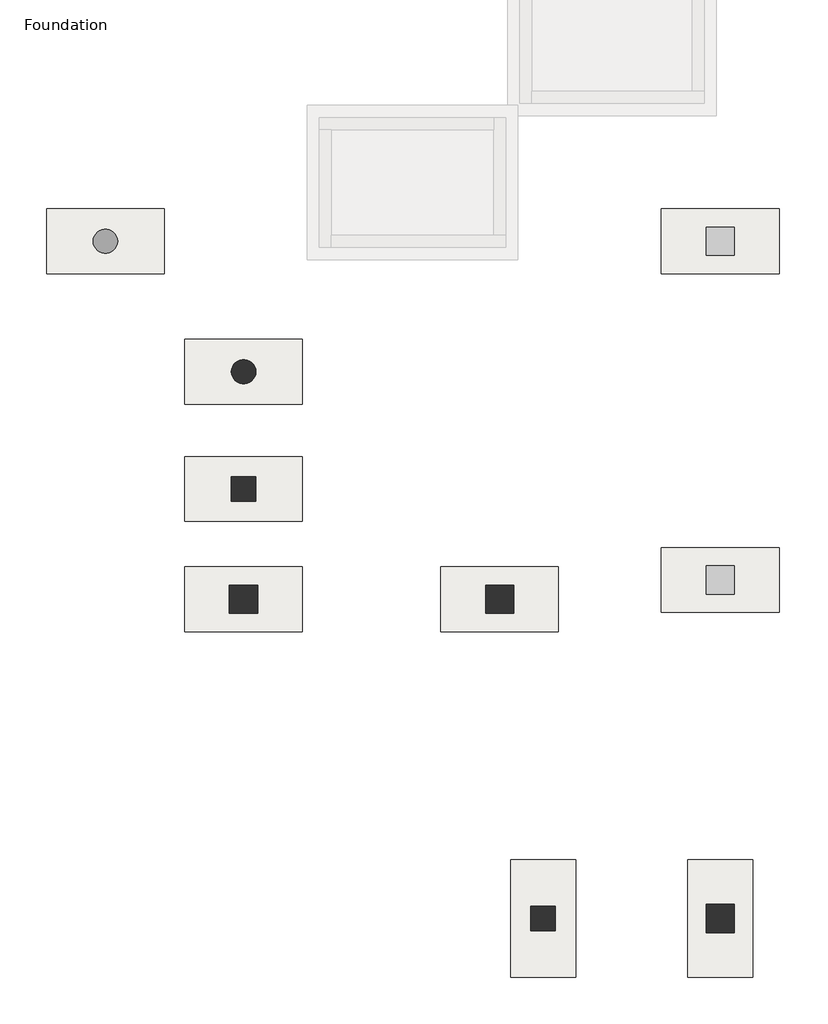
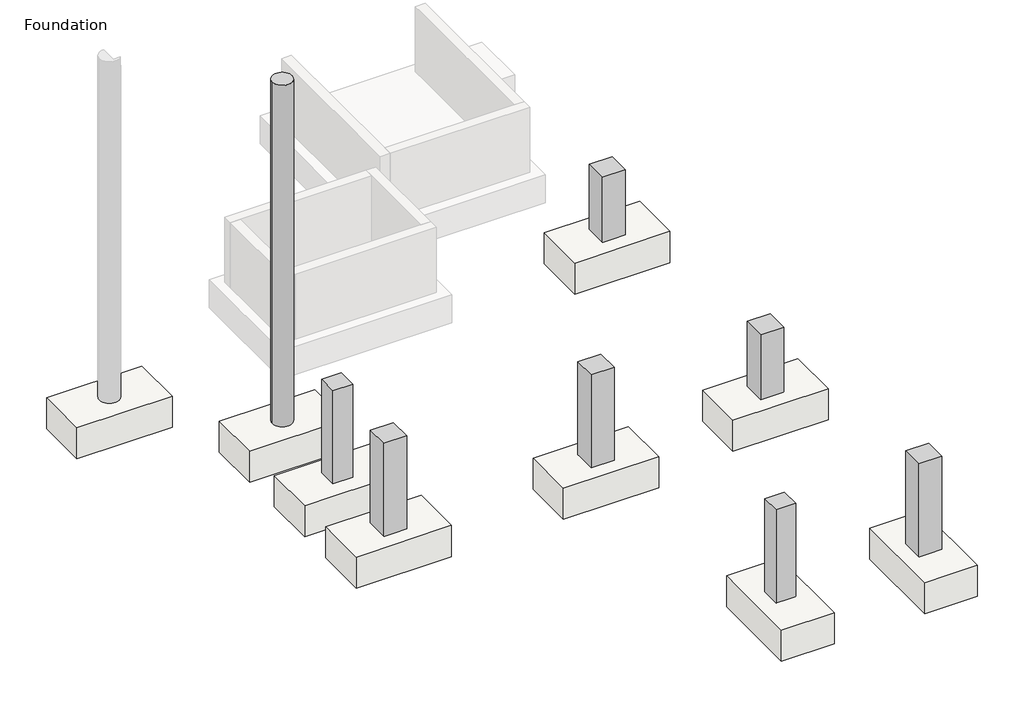
# One storey, part 9 of 10: 9 slabs, 8 columns.
"""IFC4 building model written with IfcOpenShell, lengths in millimetres."""

from ifc_helpers import new_model, si_unit, frame, origin, place, context, project, spatial, polyline, circle_curve, outline, extrude, faceted_brep, element, save
from ifc_brep_helpers import plane_surface, cylinder_surface, revolved_surface, advanced_brep

model = new_model("IFC4")

# Units and contexts
model_context = context("Model", 3, world=origin())
ifc_project = project(units=[si_unit("LENGTHUNIT", "METRE", prefix="MILLI")], contexts=[model_context])

# Site, building, storey
site = spatial("IfcSite", under=ifc_project)
building = spatial("IfcBuilding", under=site)
storey = spatial("IfcBuildingStorey", under=building, Name="Foundation", Elevation=-1600.0)

# Columns
placement = place(None, origin())
element("IfcColumn", 1, ObjectType="Concrete Round : 300 mm", at=placement, inside=storey, context=model_context, shape_type="AdvancedBrep", body=[
    advanced_brep(
    [(17554.9250814, -17852.2248986, -1600.0), (17254.9250814, -17852.2248986, -1600.0), (17554.9250814, -17852.2248986, 3900.0), (17254.9250814, -17852.2248986, 3900.0), (17546.3464377, -17802.2248986, 3900.0), (17354.9250814, -17993.6462549, 3900.0)],
    [
        (0, 1, circle_curve(frame((17404.9250814, -17852.2248986, -1600.0), z_axis=(0.0, 0.0, -1.0), x_axis=(-1.0, 0.0, 0.0)), 150.0)),
        (1, 0, circle_curve(frame((17404.9250814, -17852.2248986, -1600.0), z_axis=(0.0, 0.0, -1.0), x_axis=(-1.0, 0.0, 0.0)), 150.0)),
        (2, 0),
        (1, 3),
        (3, 4, circle_curve(frame((17404.9250814, -17852.2248986, 3900.0), z_axis=(0.0, 0.0, -1.0), x_axis=(-1.0, 0.0, 0.0)), 150.0)),
        (4, 2, circle_curve(frame((17404.9250814, -17852.2248986, 3900.0), z_axis=(0.0, 0.0, -1.0), x_axis=(-1.0, 0.0, 0.0)), 150.0)),
        (2, 5, circle_curve(frame((17404.9250814, -17852.2248986, 3900.0), z_axis=(0.0, 0.0, -1.0), x_axis=(-1.0, 0.0, 0.0)), 150.0)),
        (5, 3, circle_curve(frame((17404.9250814, -17852.2248986, 3900.0), z_axis=(0.0, 0.0, -1.0), x_axis=(-1.0, 0.0, 0.0)), 150.0)),
    ],
    [
        plane_surface(frame((17254.9250814, -17852.2248986, -1600.0), z_axis=(0.0, 0.0, -1.0), x_axis=(0.0, -1.0, 0.0))),
        cylinder_surface(frame((17404.9250814, -17852.2248986, -1600.0), z_axis=(0.0, 0.0, 1.0), x_axis=(-1.0, 0.0, 0.0)), 150.0),
        plane_surface(frame((17254.9250814, -17852.2248986, 3900.0), z_axis=(0.0, 0.0, 1.0), x_axis=(0.0, 1.0, 0.0))),
    ],
    [
        (0, [[1, 2]]),
        (1, [[3, -2, 4, 5, 6]]),
        (1, [[-4, -1, -3, 7, 8]]),
        (2, [[-6, -5, -8, -7]]),
    ],
),
])
element("IfcColumn", 2, ObjectType="Concrete-Rectangular-Column : C 30/30", at=placement, inside=storey, context=model_context, shape_type="Brep", body=[
    faceted_brep([(20947.4250814, -24447.2248986, -1600.0), (21247.4250814, -24447.2248986, -1600.0), (21247.4250814, -24747.2248986, -1600.0), (20947.4250814, -24747.2248986, -1600.0), (20947.4250814, -24447.2248986, -100.0), (20947.4250814, -24447.2248986, -550.0), (20947.4250814, -24747.2248986, -550.0), (20947.4250814, -24747.2248986, -100.0), (21247.4250814, -24747.2248986, -550.0), (21247.4250814, -24747.2248986, -100.0), (21247.4250814, -24447.2248986, -550.0), (21247.4250814, -24447.2248986, -100.0)], [[[0, 1, 2, 3]], [[4, 5, 0, 3, 6, 7]], [[7, 6, 3, 2, 8, 9]], [[9, 8, 2, 1, 10, 11]], [[11, 10, 1, 0, 5, 4]], [[4, 7, 9, 11]]]),
])
element("IfcColumn", 3, ObjectType="Concrete-Rectangular-Column : C 30/30", at=placement, inside=storey, context=model_context, shape_type="Brep", body=[
    faceted_brep([(17254.9250814, -19149.1395763, -1600.0), (17554.9250814, -19149.1395763, -1600.0), (17554.9250814, -19449.1395763, -1600.0), (17254.9250814, -19449.1395763, -1600.0), (17254.9250814, -19149.1395763, -100.0), (17254.9250814, -19149.1395763, -550.0), (17254.9250814, -19449.1395763, -550.0), (17254.9250814, -19449.1395763, -100.0), (17554.9250814, -19449.1395763, -550.0), (17554.9250814, -19449.1395763, -100.0), (17554.9250814, -19149.1395763, -550.0), (17554.9250814, -19149.1395763, -100.0)], [[[0, 1, 2, 3]], [[4, 5, 0, 3, 6, 7]], [[7, 6, 3, 2, 8, 9]], [[9, 8, 2, 1, 10, 11]], [[11, 10, 1, 0, 5, 4]], [[4, 7, 9, 11]]]),
])
element("IfcColumn", 4, ObjectType="Concrete-Rectangular-Column : C 35/35", at=placement, inside=storey, context=model_context, shape_type="Brep", body=[
    faceted_brep([(23107.3731257, -24422.2248986, -1600.0), (23457.3731257, -24422.2248986, -1600.0), (23457.3731257, -24772.2248986, -1600.0), (23107.3731257, -24772.2248986, -1600.0), (23107.3731257, -24422.2248986, -100.0), (23107.3731257, -24422.2248986, -550.0), (23107.3731257, -24772.2248986, -550.0), (23107.3731257, -24772.2248986, -100.0), (23457.3731257, -24772.2248986, -550.0), (23457.3731257, -24772.2248986, -100.0), (23457.3731257, -24422.2248986, -550.0), (23457.3731257, -24422.2248986, -100.0)], [[[0, 1, 2, 3]], [[4, 5, 0, 3, 6, 7]], [[7, 6, 3, 2, 8, 9]], [[9, 8, 2, 1, 10, 11]], [[11, 10, 1, 0, 5, 4]], [[4, 7, 9, 11]]]),
])
element("IfcColumn", 5, ObjectType="Concrete-Rectangular-Column : C 35/35", at=placement, inside=storey, context=model_context, shape_type="Brep", body=[
    faceted_brep([(17229.9250814, -20484.7180835, -1600.0), (17579.9250814, -20484.7180835, -1600.0), (17579.9250814, -20834.7180835, -1600.0), (17229.9250814, -20834.7180835, -1600.0), (17229.9250814, -20484.7180835, -100.0), (17579.9250814, -20484.7180835, -100.0), (17579.9250814, -20484.7180835, -550.0), (17229.9250814, -20484.7180835, -550.0), (17579.9250814, -20834.7180835, -100.0), (17579.9250814, -20834.7180835, -550.0), (17229.9250814, -20834.7180835, -100.0), (17229.9250814, -20834.7180835, -550.0)], [[[0, 1, 2, 3]], [[4, 5, 6, 1, 0, 7]], [[5, 8, 9, 2, 1, 6]], [[8, 10, 11, 3, 2, 9]], [[10, 4, 7, 0, 3, 11]], [[4, 10, 8, 5]]]),
])
element("IfcColumn", 6, ObjectType="Concrete-Rectangular-Column : C 35/35", at=placement, inside=storey, context=model_context, shape_type="Brep", body=[
    faceted_brep([(20387.4250814, -20484.7180835, -1600.0), (20737.4250814, -20484.7180835, -1600.0), (20737.4250814, -20834.7180835, -1600.0), (20387.4250814, -20834.7180835, -1600.0), (20387.4250814, -20484.7180835, -100.0), (20737.4250814, -20484.7180835, -100.0), (20737.4250814, -20484.7180835, -550.0), (20387.4250814, -20484.7180835, -550.0), (20737.4250814, -20834.7180835, -100.0), (20737.4250814, -20834.7180835, -550.0), (20387.4250814, -20834.7180835, -100.0), (20387.4250814, -20834.7180835, -550.0)], [[[0, 1, 2, 3]], [[4, 5, 6, 1, 0, 7]], [[5, 8, 9, 2, 1, 6]], [[8, 10, 11, 3, 2, 9]], [[10, 4, 7, 0, 3, 11]], [[4, 10, 8, 5]]]),
])
element("IfcColumn", 7, ObjectType="Concrete-Rectangular-Column : C 35/35", at=placement, inside=storey, context=model_context, shape_type="SweptSolid", body=[
    extrude(outline(polyline([(23107.3731257, -20596.3915653), (23107.3731257, -20246.3915653), (23457.3731257, -20246.3915653), (23457.3731257, -20596.3915653), (23107.3731257, -20596.3915653)])), frame((0.0, 0.0, -1600.0), z_axis=(0.0, 0.0, 1.0), x_axis=(1.0, 0.0, 0.0)), (0.0, 0.0, 1.0), 1050.0),
])
element("IfcColumn", 8, ObjectType="Concrete-Rectangular-Column : C 35/35", at=placement, inside=storey, context=model_context, shape_type="SweptSolid", body=[
    extrude(outline(polyline([(23107.3731257, -16420.558232), (23107.3731257, -16070.558232), (23457.3731257, -16070.558232), (23457.3731257, -16420.558232), (23107.3731257, -16420.558232)])), frame((0.0, 0.0, -1600.0), z_axis=(0.0, 0.0, 1.0), x_axis=(1.0, 0.0, 0.0)), (0.0, 0.0, 1.0), 1050.0),
])

# Slabs
element("IfcSlab", 9, ObjectType="Pile Cap for 2 Piles : Type 1", at=placement, inside=storey, context=model_context, shape_type="AdvancedBrep", body=[
    advanced_brep(
    [(21287.4250814, -21059.7180835, -1600.0), (21287.4250814, -20259.7180835, -1600.0), (19837.4250814, -20259.7180835, -1600.0), (19837.4250814, -21059.7180835, -1600.0), (19837.4250814, -20259.7180835, -2100.0), (21287.4250814, -20259.7180835, -2100.0), (21287.4250814, -21059.7180835, -2100.0), (19837.4250814, -21059.7180835, -2100.0), (20962.4250814, -20526.3847501, -2100.0), (20962.4250814, -20793.0514168, -2100.0), (20162.4250814, -20526.3847501, -2100.0), (20162.4250814, -20793.0514168, -2100.0), (20162.4250814, -20526.3847501, -2050.0), (20162.4250814, -20793.0514168, -2050.0), (20962.4250814, -20526.3847501, -2050.0), (20962.4250814, -20793.0514168, -2050.0)],
    [
        (0, 1),
        (1, 2),
        (2, 3),
        (3, 0),
        (4, 5),
        (5, 6),
        (6, 7),
        (7, 4),
        (8, 9, circle_curve(frame((20962.4250814, -20659.7180835, -2100.0), z_axis=(0.0, 0.0, 1.0), x_axis=(0.0, 1.0, 0.0)), 133.3333333)),
        (9, 8, circle_curve(frame((20962.4250814, -20659.7180835, -2100.0), z_axis=(0.0, 0.0, 1.0), x_axis=(0.0, 1.0, 0.0)), 133.3333333)),
        (10, 11, circle_curve(frame((20162.4250814, -20659.7180835, -2100.0), z_axis=(0.0, 0.0, 1.0), x_axis=(0.0, 1.0, 0.0)), 133.3333333)),
        (11, 10, circle_curve(frame((20162.4250814, -20659.7180835, -2100.0), z_axis=(0.0, 0.0, 1.0), x_axis=(0.0, 1.0, 0.0)), 133.3333333)),
        (0, 6),
        (5, 1),
        (3, 7),
        (2, 4),
        (12, 13, circle_curve(frame((20162.4250814, -20659.7180835, -2050.0), z_axis=(0.0, 0.0, -1.0), x_axis=(0.0, 1.0, 0.0)), 133.3333333)),
        (13, 12, circle_curve(frame((20162.4250814, -20659.7180835, -2050.0), z_axis=(0.0, 0.0, -1.0), x_axis=(0.0, 1.0, 0.0)), 133.3333333)),
        (8, 14),
        (14, 15, circle_curve(frame((20962.4250814, -20659.7180835, -2050.0), z_axis=(0.0, 0.0, 1.0), x_axis=(0.0, 1.0, 0.0)), 133.3333333)),
        (15, 9),
        (15, 14, circle_curve(frame((20962.4250814, -20659.7180835, -2050.0), z_axis=(0.0, 0.0, 1.0), x_axis=(0.0, 1.0, 0.0)), 133.3333333)),
        (10, 12),
        (13, 11),
    ],
    [
        plane_surface(frame((21287.4250814, -21059.7180835, -1600.0), z_axis=(0.0, 0.0, 1.0), x_axis=(0.0, -1.0, 0.0))),
        plane_surface(frame((21287.4250814, -21059.7180835, -2100.0), z_axis=(0.0, 0.0, -1.0), x_axis=(0.0, 1.0, 0.0))),
        plane_surface(frame((21287.4250814, -20259.7180835, -1600.0), z_axis=(1.0, 0.0, 0.0), x_axis=(0.0, 0.0, -1.0))),
        plane_surface(frame((21287.4250814, -21059.7180835, -1600.0), z_axis=(0.0, -1.0, 0.0), x_axis=(0.0, 0.0, -1.0))),
        plane_surface(frame((19837.4250814, -21059.7180835, -1600.0), z_axis=(-1.0, 0.0, 0.0), x_axis=(0.0, 0.0, -1.0))),
        plane_surface(frame((19837.4250814, -20259.7180835, -1600.0), z_axis=(0.0, 1.0, 0.0), x_axis=(0.0, 0.0, -1.0))),
        plane_surface(frame((20962.4250814, -20526.3847501, -2050.0), z_axis=(0.0, 0.0, -1.0), x_axis=(1.0, 0.0, 0.0))),
        revolved_surface(polyline([(20962.4250814, -20526.3847502, -2050.0), (20962.4250814, -20526.3847502, -2100.0)]), (20962.4250814, -20659.7180835, -2100.0), (0.0, 0.0, 1.0)),
        revolved_surface(polyline([(20162.4250814, -20526.3847502, -2050.0), (20162.4250814, -20526.3847502, -2100.0)]), (20162.4250814, -20659.7180835, -1600.0), (0.0, 0.0, 1.0)),
    ],
    [
        (0, [[1, 2, 3, 4]]),
        (1, [[5, 6, 7, 8], [9, 10], [11, 12]]),
        (2, [[-1, 13, -6, 14]]),
        (3, [[-4, 15, -7, -13]]),
        (4, [[-3, 16, -8, -15]]),
        (5, [[-2, -14, -5, -16]]),
        (6, [[17, 18]]),
        (7, [[-9, 19, 20, 21]]),
        (7, [[-10, -21, 22, -19]]),
        (8, [[-11, 23, -18, 24]]),
        (8, [[-12, -24, -17, -23]]),
        (6, [[-22, -20]]),
    ],
),
])
element("IfcSlab", 10, ObjectType="Pile Cap for 2 Piles : Type 1", at=placement, inside=storey, context=model_context, shape_type="AdvancedBrep", body=[
    advanced_brep(
    [(18129.9250814, -21059.7180835, -1600.0), (18129.9250814, -20259.7180835, -1600.0), (16679.9250814, -20259.7180835, -1600.0), (16679.9250814, -21059.7180835, -1600.0), (16679.9250814, -20259.7180835, -2100.0), (18129.9250814, -20259.7180835, -2100.0), (18129.9250814, -21059.7180835, -2100.0), (16679.9250814, -21059.7180835, -2100.0), (17804.9250814, -20526.3847501, -2100.0), (17804.9250814, -20793.0514168, -2100.0), (17004.9250814, -20526.3847501, -2100.0), (17004.9250814, -20793.0514168, -2100.0), (17004.9250814, -20526.3847501, -2050.0), (17004.9250814, -20793.0514168, -2050.0), (17804.9250814, -20526.3847501, -2050.0), (17804.9250814, -20793.0514168, -2050.0)],
    [
        (0, 1),
        (1, 2),
        (2, 3),
        (3, 0),
        (4, 5),
        (5, 6),
        (6, 7),
        (7, 4),
        (8, 9, circle_curve(frame((17804.9250814, -20659.7180835, -2100.0), z_axis=(0.0, 0.0, 1.0), x_axis=(0.0, 1.0, 0.0)), 133.3333333)),
        (9, 8, circle_curve(frame((17804.9250814, -20659.7180835, -2100.0), z_axis=(0.0, 0.0, 1.0), x_axis=(0.0, 1.0, 0.0)), 133.3333333)),
        (10, 11, circle_curve(frame((17004.9250814, -20659.7180835, -2100.0), z_axis=(0.0, 0.0, 1.0), x_axis=(0.0, 1.0, 0.0)), 133.3333333)),
        (11, 10, circle_curve(frame((17004.9250814, -20659.7180835, -2100.0), z_axis=(0.0, 0.0, 1.0), x_axis=(0.0, 1.0, 0.0)), 133.3333333)),
        (0, 6),
        (5, 1),
        (3, 7),
        (2, 4),
        (12, 13, circle_curve(frame((17004.9250814, -20659.7180835, -2050.0), z_axis=(0.0, 0.0, -1.0), x_axis=(0.0, 1.0, 0.0)), 133.3333333)),
        (13, 12, circle_curve(frame((17004.9250814, -20659.7180835, -2050.0), z_axis=(0.0, 0.0, -1.0), x_axis=(0.0, 1.0, 0.0)), 133.3333333)),
        (8, 14),
        (14, 15, circle_curve(frame((17804.9250814, -20659.7180835, -2050.0), z_axis=(0.0, 0.0, 1.0), x_axis=(0.0, 1.0, 0.0)), 133.3333333)),
        (15, 9),
        (15, 14, circle_curve(frame((17804.9250814, -20659.7180835, -2050.0), z_axis=(0.0, 0.0, 1.0), x_axis=(0.0, 1.0, 0.0)), 133.3333333)),
        (10, 12),
        (13, 11),
    ],
    [
        plane_surface(frame((18129.9250814, -21059.7180835, -1600.0), z_axis=(0.0, 0.0, 1.0), x_axis=(0.0, -1.0, 0.0))),
        plane_surface(frame((18129.9250814, -21059.7180835, -2100.0), z_axis=(0.0, 0.0, -1.0), x_axis=(0.0, 1.0, 0.0))),
        plane_surface(frame((18129.9250814, -20259.7180835, -1600.0), z_axis=(1.0, 0.0, 0.0), x_axis=(0.0, 0.0, -1.0))),
        plane_surface(frame((18129.9250814, -21059.7180835, -1600.0), z_axis=(0.0, -1.0, 0.0), x_axis=(0.0, 0.0, -1.0))),
        plane_surface(frame((16679.9250814, -21059.7180835, -1600.0), z_axis=(-1.0, 0.0, 0.0), x_axis=(0.0, 0.0, -1.0))),
        plane_surface(frame((16679.9250814, -20259.7180835, -1600.0), z_axis=(0.0, 1.0, 0.0), x_axis=(0.0, 0.0, -1.0))),
        plane_surface(frame((17804.9250814, -20526.3847501, -2050.0), z_axis=(0.0, 0.0, -1.0), x_axis=(1.0, 0.0, 0.0))),
        revolved_surface(polyline([(17804.9250814, -20526.3847502, -2050.0), (17804.9250814, -20526.3847502, -2100.0)]), (17804.9250814, -20659.7180835, -2100.0), (0.0, 0.0, 1.0)),
        revolved_surface(polyline([(17004.9250814, -20526.3847502, -2050.0), (17004.9250814, -20526.3847502, -2100.0)]), (17004.9250814, -20659.7180835, -1600.0), (0.0, 0.0, 1.0)),
    ],
    [
        (0, [[1, 2, 3, 4]]),
        (1, [[5, 6, 7, 8], [9, 10], [11, 12]]),
        (2, [[-1, 13, -6, 14]]),
        (3, [[-4, 15, -7, -13]]),
        (4, [[-3, 16, -8, -15]]),
        (5, [[-2, -14, -5, -16]]),
        (6, [[17, 18]]),
        (7, [[-9, 19, 20, 21]]),
        (7, [[-10, -21, 22, -19]]),
        (8, [[-11, 23, -18, 24]]),
        (8, [[-12, -24, -17, -23]]),
        (6, [[-22, -20]]),
    ],
),
])
element("IfcSlab", 11, ObjectType="Pile Cap for 2 Piles : Type 1", at=placement, inside=storey, context=model_context, shape_type="AdvancedBrep", body=[
    advanced_brep(
    [(23682.3731257, -23872.2248986, -1600.0), (22882.3731257, -23872.2248986, -1600.0), (22882.3731257, -25322.2248986, -1600.0), (23682.3731257, -25322.2248986, -1600.0), (22882.3731257, -25322.2248986, -2100.0), (22882.3731257, -23872.2248986, -2100.0), (23682.3731257, -23872.2248986, -2100.0), (23682.3731257, -25322.2248986, -2100.0), (23149.0397924, -24197.2248986, -2100.0), (23415.706459, -24197.2248986, -2100.0), (23149.0397924, -24997.2248986, -2100.0), (23415.706459, -24997.2248986, -2100.0), (23149.0397924, -24997.2248986, -2050.0), (23415.706459, -24997.2248986, -2050.0), (23149.0397924, -24197.2248986, -2050.0), (23415.706459, -24197.2248986, -2050.0)],
    [
        (0, 1),
        (1, 2),
        (2, 3),
        (3, 0),
        (4, 5),
        (5, 6),
        (6, 7),
        (7, 4),
        (8, 9, circle_curve(frame((23282.3731257, -24197.2248986, -2100.0), z_axis=(0.0, 0.0, 1.0), x_axis=(-1.0, 0.0, 0.0)), 133.3333333)),
        (9, 8, circle_curve(frame((23282.3731257, -24197.2248986, -2100.0), z_axis=(0.0, 0.0, 1.0), x_axis=(-1.0, 0.0, 0.0)), 133.3333333)),
        (10, 11, circle_curve(frame((23282.3731257, -24997.2248986, -2100.0), z_axis=(0.0, 0.0, 1.0), x_axis=(-1.0, 0.0, 0.0)), 133.3333333)),
        (11, 10, circle_curve(frame((23282.3731257, -24997.2248986, -2100.0), z_axis=(0.0, 0.0, 1.0), x_axis=(-1.0, 0.0, 0.0)), 133.3333333)),
        (0, 6),
        (5, 1),
        (3, 7),
        (2, 4),
        (12, 13, circle_curve(frame((23282.3731257, -24997.2248986, -2050.0), z_axis=(0.0, 0.0, -1.0), x_axis=(-1.0, 0.0, 0.0)), 133.3333333)),
        (13, 12, circle_curve(frame((23282.3731257, -24997.2248986, -2050.0), z_axis=(0.0, 0.0, -1.0), x_axis=(-1.0, 0.0, 0.0)), 133.3333333)),
        (8, 14),
        (14, 15, circle_curve(frame((23282.3731257, -24197.2248986, -2050.0), z_axis=(0.0, 0.0, 1.0), x_axis=(-1.0, 0.0, 0.0)), 133.3333333)),
        (15, 9),
        (15, 14, circle_curve(frame((23282.3731257, -24197.2248986, -2050.0), z_axis=(0.0, 0.0, 1.0), x_axis=(-1.0, 0.0, 0.0)), 133.3333333)),
        (10, 12),
        (13, 11),
    ],
    [
        plane_surface(frame((23682.3731257, -23872.2248986, -1600.0), z_axis=(0.0, 0.0, 1.0), x_axis=(1.0, 0.0, 0.0))),
        plane_surface(frame((23682.3731257, -23872.2248986, -2100.0), z_axis=(0.0, 0.0, -1.0), x_axis=(-1.0, 0.0, 0.0))),
        plane_surface(frame((22882.3731257, -23872.2248986, -1600.0), z_axis=(0.0, 1.0, 0.0), x_axis=(0.0, 0.0, -1.0))),
        plane_surface(frame((23682.3731257, -23872.2248986, -1600.0), z_axis=(1.0, 0.0, 0.0), x_axis=(0.0, 0.0, -1.0))),
        plane_surface(frame((23682.3731257, -25322.2248986, -1600.0), z_axis=(0.0, -1.0, 0.0), x_axis=(0.0, 0.0, -1.0))),
        plane_surface(frame((22882.3731257, -25322.2248986, -1600.0), z_axis=(-1.0, 0.0, 0.0), x_axis=(0.0, 0.0, -1.0))),
        plane_surface(frame((23149.0397924, -24197.2248986, -2050.0), z_axis=(0.0, 0.0, -1.0), x_axis=(0.0, 1.0, 0.0))),
        revolved_surface(polyline([(23149.0397924, -24197.2248986, -2050.0), (23149.0397924, -24197.2248986, -2100.0)]), (23282.3731257, -24197.2248986, -2100.0), (0.0, 0.0, 1.0)),
        revolved_surface(polyline([(23149.0397924, -24997.2248986, -2050.0), (23149.0397924, -24997.2248986, -2100.0)]), (23282.3731257, -24997.2248986, -1600.0), (0.0, 0.0, 1.0)),
    ],
    [
        (0, [[1, 2, 3, 4]]),
        (1, [[5, 6, 7, 8], [9, 10], [11, 12]]),
        (2, [[-1, 13, -6, 14]]),
        (3, [[-4, 15, -7, -13]]),
        (4, [[-3, 16, -8, -15]]),
        (5, [[-2, -14, -5, -16]]),
        (6, [[17, 18]]),
        (7, [[-9, 19, 20, 21]]),
        (7, [[-10, -21, 22, -19]]),
        (8, [[-11, 23, -18, 24]]),
        (8, [[-12, -24, -17, -23]]),
        (6, [[-22, -20]]),
    ],
),
])
element("IfcSlab", 12, ObjectType="Pile Cap for 2 Piles : Type 1", at=placement, inside=storey, context=model_context, shape_type="AdvancedBrep", body=[
    advanced_brep(
    [(21497.4250814, -23872.2248986, -1600.0), (20697.4250814, -23872.2248986, -1600.0), (20697.4250814, -25322.2248986, -1600.0), (21497.4250814, -25322.2248986, -1600.0), (20697.4250814, -25322.2248986, -2100.0), (20697.4250814, -23872.2248986, -2100.0), (21497.4250814, -23872.2248986, -2100.0), (21497.4250814, -25322.2248986, -2100.0), (20964.0917481, -24197.2248986, -2100.0), (21230.7584148, -24197.2248986, -2100.0), (20964.0917481, -24997.2248986, -2100.0), (21230.7584148, -24997.2248986, -2100.0), (20964.0917481, -24997.2248986, -2050.0), (21230.7584148, -24997.2248986, -2050.0), (20964.0917481, -24197.2248986, -2050.0), (21230.7584148, -24197.2248986, -2050.0)],
    [
        (0, 1),
        (1, 2),
        (2, 3),
        (3, 0),
        (4, 5),
        (5, 6),
        (6, 7),
        (7, 4),
        (8, 9, circle_curve(frame((21097.4250814, -24197.2248986, -2100.0), z_axis=(0.0, 0.0, 1.0), x_axis=(-1.0, 0.0, 0.0)), 133.3333333)),
        (9, 8, circle_curve(frame((21097.4250814, -24197.2248986, -2100.0), z_axis=(0.0, 0.0, 1.0), x_axis=(-1.0, 0.0, 0.0)), 133.3333333)),
        (10, 11, circle_curve(frame((21097.4250814, -24997.2248986, -2100.0), z_axis=(0.0, 0.0, 1.0), x_axis=(-1.0, 0.0, 0.0)), 133.3333333)),
        (11, 10, circle_curve(frame((21097.4250814, -24997.2248986, -2100.0), z_axis=(0.0, 0.0, 1.0), x_axis=(-1.0, 0.0, 0.0)), 133.3333333)),
        (0, 6),
        (5, 1),
        (3, 7),
        (2, 4),
        (12, 13, circle_curve(frame((21097.4250814, -24997.2248986, -2050.0), z_axis=(0.0, 0.0, -1.0), x_axis=(-1.0, 0.0, 0.0)), 133.3333333)),
        (13, 12, circle_curve(frame((21097.4250814, -24997.2248986, -2050.0), z_axis=(0.0, 0.0, -1.0), x_axis=(-1.0, 0.0, 0.0)), 133.3333333)),
        (8, 14),
        (14, 15, circle_curve(frame((21097.4250814, -24197.2248986, -2050.0), z_axis=(0.0, 0.0, 1.0), x_axis=(-1.0, 0.0, 0.0)), 133.3333333)),
        (15, 9),
        (15, 14, circle_curve(frame((21097.4250814, -24197.2248986, -2050.0), z_axis=(0.0, 0.0, 1.0), x_axis=(-1.0, 0.0, 0.0)), 133.3333333)),
        (10, 12),
        (13, 11),
    ],
    [
        plane_surface(frame((21497.4250814, -23872.2248986, -1600.0), z_axis=(0.0, 0.0, 1.0), x_axis=(1.0, 0.0, 0.0))),
        plane_surface(frame((21497.4250814, -23872.2248986, -2100.0), z_axis=(0.0, 0.0, -1.0), x_axis=(-1.0, 0.0, 0.0))),
        plane_surface(frame((20697.4250814, -23872.2248986, -1600.0), z_axis=(0.0, 1.0, 0.0), x_axis=(0.0, 0.0, -1.0))),
        plane_surface(frame((21497.4250814, -23872.2248986, -1600.0), z_axis=(1.0, 0.0, 0.0), x_axis=(0.0, 0.0, -1.0))),
        plane_surface(frame((21497.4250814, -25322.2248986, -1600.0), z_axis=(0.0, -1.0, 0.0), x_axis=(0.0, 0.0, -1.0))),
        plane_surface(frame((20697.4250814, -25322.2248986, -1600.0), z_axis=(-1.0, 0.0, 0.0), x_axis=(0.0, 0.0, -1.0))),
        plane_surface(frame((20964.0917481, -24197.2248986, -2050.0), z_axis=(0.0, 0.0, -1.0), x_axis=(0.0, 1.0, 0.0))),
        revolved_surface(polyline([(20964.0917481, -24197.2248986, -2050.0), (20964.0917481, -24197.2248986, -2100.0)]), (21097.4250814, -24197.2248986, -2100.0), (0.0, 0.0, 1.0)),
        revolved_surface(polyline([(20964.0917481, -24997.2248986, -2050.0), (20964.0917481, -24997.2248986, -2100.0)]), (21097.4250814, -24997.2248986, -1600.0), (0.0, 0.0, 1.0)),
    ],
    [
        (0, [[1, 2, 3, 4]]),
        (1, [[5, 6, 7, 8], [9, 10], [11, 12]]),
        (2, [[-1, 13, -6, 14]]),
        (3, [[-4, 15, -7, -13]]),
        (4, [[-3, 16, -8, -15]]),
        (5, [[-2, -14, -5, -16]]),
        (6, [[17, 18]]),
        (7, [[-9, 19, 20, 21]]),
        (7, [[-10, -21, 22, -19]]),
        (8, [[-11, 23, -18, 24]]),
        (8, [[-12, -24, -17, -23]]),
        (6, [[-22, -20]]),
    ],
),
])
element("IfcSlab", 13, ObjectType="Pile Cap for 2 Piles : Type 1", at=placement, inside=storey, context=model_context, shape_type="AdvancedBrep", body=[
    advanced_brep(
    [(18129.9250814, -19699.1395763, -1600.0), (18129.9250814, -18899.1395763, -1600.0), (16679.9250814, -18899.1395763, -1600.0), (16679.9250814, -19699.1395763, -1600.0), (16679.9250814, -18899.1395763, -2100.0), (18129.9250814, -18899.1395763, -2100.0), (18129.9250814, -19699.1395763, -2100.0), (16679.9250814, -19699.1395763, -2100.0), (17804.9250814, -19165.8062429, -2100.0), (17804.9250814, -19432.4729096, -2100.0), (17004.9250814, -19165.8062429, -2100.0), (17004.9250814, -19432.4729096, -2100.0), (17004.9250814, -19165.8062429, -2050.0), (17004.9250814, -19432.4729096, -2050.0), (17804.9250814, -19165.8062429, -2050.0), (17804.9250814, -19432.4729096, -2050.0)],
    [
        (0, 1),
        (1, 2),
        (2, 3),
        (3, 0),
        (4, 5),
        (5, 6),
        (6, 7),
        (7, 4),
        (8, 9, circle_curve(frame((17804.9250814, -19299.1395763, -2100.0), z_axis=(0.0, 0.0, 1.0), x_axis=(0.0, 1.0, 0.0)), 133.3333333)),
        (9, 8, circle_curve(frame((17804.9250814, -19299.1395763, -2100.0), z_axis=(0.0, 0.0, 1.0), x_axis=(0.0, 1.0, 0.0)), 133.3333333)),
        (10, 11, circle_curve(frame((17004.9250814, -19299.1395763, -2100.0), z_axis=(0.0, 0.0, 1.0), x_axis=(0.0, 1.0, 0.0)), 133.3333333)),
        (11, 10, circle_curve(frame((17004.9250814, -19299.1395763, -2100.0), z_axis=(0.0, 0.0, 1.0), x_axis=(0.0, 1.0, 0.0)), 133.3333333)),
        (0, 6),
        (5, 1),
        (3, 7),
        (2, 4),
        (12, 13, circle_curve(frame((17004.9250814, -19299.1395763, -2050.0), z_axis=(0.0, 0.0, -1.0), x_axis=(0.0, 1.0, 0.0)), 133.3333333)),
        (13, 12, circle_curve(frame((17004.9250814, -19299.1395763, -2050.0), z_axis=(0.0, 0.0, -1.0), x_axis=(0.0, 1.0, 0.0)), 133.3333333)),
        (8, 14),
        (14, 15, circle_curve(frame((17804.9250814, -19299.1395763, -2050.0), z_axis=(0.0, 0.0, 1.0), x_axis=(0.0, 1.0, 0.0)), 133.3333333)),
        (15, 9),
        (15, 14, circle_curve(frame((17804.9250814, -19299.1395763, -2050.0), z_axis=(0.0, 0.0, 1.0), x_axis=(0.0, 1.0, 0.0)), 133.3333333)),
        (10, 12),
        (13, 11),
    ],
    [
        plane_surface(frame((18129.9250814, -19699.1395763, -1600.0), z_axis=(0.0, 0.0, 1.0), x_axis=(0.0, -1.0, 0.0))),
        plane_surface(frame((18129.9250814, -19699.1395763, -2100.0), z_axis=(0.0, 0.0, -1.0), x_axis=(0.0, 1.0, 0.0))),
        plane_surface(frame((18129.9250814, -18899.1395763, -1600.0), z_axis=(1.0, 0.0, 0.0), x_axis=(0.0, 0.0, -1.0))),
        plane_surface(frame((18129.9250814, -19699.1395763, -1600.0), z_axis=(0.0, -1.0, 0.0), x_axis=(0.0, 0.0, -1.0))),
        plane_surface(frame((16679.9250814, -19699.1395763, -1600.0), z_axis=(-1.0, 0.0, 0.0), x_axis=(0.0, 0.0, -1.0))),
        plane_surface(frame((16679.9250814, -18899.1395763, -1600.0), z_axis=(0.0, 1.0, 0.0), x_axis=(0.0, 0.0, -1.0))),
        plane_surface(frame((17804.9250814, -19165.8062429, -2050.0), z_axis=(0.0, 0.0, -1.0), x_axis=(1.0, 0.0, 0.0))),
        revolved_surface(polyline([(17804.9250814, -19165.806243, -2050.0), (17804.9250814, -19165.806243, -2100.0)]), (17804.9250814, -19299.1395763, -2100.0), (0.0, 0.0, 1.0)),
        revolved_surface(polyline([(17004.9250814, -19165.806243, -2050.0), (17004.9250814, -19165.806243, -2100.0)]), (17004.9250814, -19299.1395763, -1600.0), (0.0, 0.0, 1.0)),
    ],
    [
        (0, [[1, 2, 3, 4]]),
        (1, [[5, 6, 7, 8], [9, 10], [11, 12]]),
        (2, [[-1, 13, -6, 14]]),
        (3, [[-4, 15, -7, -13]]),
        (4, [[-3, 16, -8, -15]]),
        (5, [[-2, -14, -5, -16]]),
        (6, [[17, 18]]),
        (7, [[-9, 19, 20, 21]]),
        (7, [[-10, -21, 22, -19]]),
        (8, [[-11, 23, -18, 24]]),
        (8, [[-12, -24, -17, -23]]),
        (6, [[-22, -20]]),
    ],
),
])
element("IfcSlab", 14, ObjectType="Pile Cap for 2 Piles : Type 1", at=placement, inside=storey, context=model_context, shape_type="AdvancedBrep", body=[
    advanced_brep(
    [(18129.9250814, -18252.2248986, -1600.0), (18129.9250814, -17452.2248986, -1600.0), (16679.9250814, -17452.2248986, -1600.0), (16679.9250814, -18252.2248986, -1600.0), (16679.9250814, -17452.2248986, -2100.0), (18129.9250814, -17452.2248986, -2100.0), (18129.9250814, -18252.2248986, -2100.0), (16679.9250814, -18252.2248986, -2100.0), (17804.9250814, -17718.8915653, -2100.0), (17804.9250814, -17985.558232, -2100.0), (17004.9250814, -17718.8915653, -2100.0), (17004.9250814, -17985.558232, -2100.0), (17004.9250814, -17718.8915653, -2050.0), (17004.9250814, -17985.558232, -2050.0), (17804.9250814, -17718.8915653, -2050.0), (17804.9250814, -17985.558232, -2050.0)],
    [
        (0, 1),
        (1, 2),
        (2, 3),
        (3, 0),
        (4, 5),
        (5, 6),
        (6, 7),
        (7, 4),
        (8, 9, circle_curve(frame((17804.9250814, -17852.2248986, -2100.0), z_axis=(0.0, 0.0, 1.0), x_axis=(0.0, 1.0, 0.0)), 133.3333333)),
        (9, 8, circle_curve(frame((17804.9250814, -17852.2248986, -2100.0), z_axis=(0.0, 0.0, 1.0), x_axis=(0.0, 1.0, 0.0)), 133.3333333)),
        (10, 11, circle_curve(frame((17004.9250814, -17852.2248986, -2100.0), z_axis=(0.0, 0.0, 1.0), x_axis=(0.0, 1.0, 0.0)), 133.3333333)),
        (11, 10, circle_curve(frame((17004.9250814, -17852.2248986, -2100.0), z_axis=(0.0, 0.0, 1.0), x_axis=(0.0, 1.0, 0.0)), 133.3333333)),
        (0, 6),
        (5, 1),
        (3, 7),
        (2, 4),
        (12, 13, circle_curve(frame((17004.9250814, -17852.2248986, -2050.0), z_axis=(0.0, 0.0, -1.0), x_axis=(0.0, 1.0, 0.0)), 133.3333333)),
        (13, 12, circle_curve(frame((17004.9250814, -17852.2248986, -2050.0), z_axis=(0.0, 0.0, -1.0), x_axis=(0.0, 1.0, 0.0)), 133.3333333)),
        (8, 14),
        (14, 15, circle_curve(frame((17804.9250814, -17852.2248986, -2050.0), z_axis=(0.0, 0.0, 1.0), x_axis=(0.0, 1.0, 0.0)), 133.3333333)),
        (15, 9),
        (15, 14, circle_curve(frame((17804.9250814, -17852.2248986, -2050.0), z_axis=(0.0, 0.0, 1.0), x_axis=(0.0, 1.0, 0.0)), 133.3333333)),
        (10, 12),
        (13, 11),
    ],
    [
        plane_surface(frame((18129.9250814, -18252.2248986, -1600.0), z_axis=(0.0, 0.0, 1.0), x_axis=(0.0, -1.0, 0.0))),
        plane_surface(frame((18129.9250814, -18252.2248986, -2100.0), z_axis=(0.0, 0.0, -1.0), x_axis=(0.0, 1.0, 0.0))),
        plane_surface(frame((18129.9250814, -17452.2248986, -1600.0), z_axis=(1.0, 0.0, 0.0), x_axis=(0.0, 0.0, -1.0))),
        plane_surface(frame((18129.9250814, -18252.2248986, -1600.0), z_axis=(0.0, -1.0, 0.0), x_axis=(0.0, 0.0, -1.0))),
        plane_surface(frame((16679.9250814, -18252.2248986, -1600.0), z_axis=(-1.0, 0.0, 0.0), x_axis=(0.0, 0.0, -1.0))),
        plane_surface(frame((16679.9250814, -17452.2248986, -1600.0), z_axis=(0.0, 1.0, 0.0), x_axis=(0.0, 0.0, -1.0))),
        plane_surface(frame((17804.9250814, -17718.8915653, -2050.0), z_axis=(0.0, 0.0, -1.0), x_axis=(1.0, 0.0, 0.0))),
        revolved_surface(polyline([(17804.9250814, -17718.8915653, -2050.0), (17804.9250814, -17718.8915653, -2100.0)]), (17804.9250814, -17852.2248986, -2100.0), (0.0, 0.0, 1.0)),
        revolved_surface(polyline([(17004.9250814, -17718.8915653, -2050.0), (17004.9250814, -17718.8915653, -2100.0)]), (17004.9250814, -17852.2248986, -1600.0), (0.0, 0.0, 1.0)),
    ],
    [
        (0, [[1, 2, 3, 4]]),
        (1, [[5, 6, 7, 8], [9, 10], [11, 12]]),
        (2, [[-1, 13, -6, 14]]),
        (3, [[-4, 15, -7, -13]]),
        (4, [[-3, 16, -8, -15]]),
        (5, [[-2, -14, -5, -16]]),
        (6, [[17, 18]]),
        (7, [[-9, 19, 20, 21]]),
        (7, [[-10, -21, 22, -19]]),
        (8, [[-11, 23, -18, 24]]),
        (8, [[-12, -24, -17, -23]]),
        (6, [[-22, -20]]),
    ],
),
])
element("IfcSlab", 15, ObjectType="Pile Cap for 2 Piles : Type 1", at=placement, inside=storey, context=model_context, shape_type="AdvancedBrep", body=[
    advanced_brep(
    [(16424.8821845, -16644.1031039, -1600.0), (16424.8821845, -15844.1031039, -1600.0), (14974.8821845, -15844.1031039, -1600.0), (14974.8821845, -16644.1031039, -1600.0), (14974.8821845, -15844.1031039, -2100.0), (16424.8821845, -15844.1031039, -2100.0), (16424.8821845, -16644.1031039, -2100.0), (14974.8821845, -16644.1031039, -2100.0), (16099.8821845, -16110.7697706, -2100.0), (16099.8821845, -16377.4364373, -2100.0), (15299.8821845, -16110.7697706, -2100.0), (15299.8821845, -16377.4364373, -2100.0), (15299.8821845, -16110.7697706, -2050.0), (15299.8821845, -16377.4364373, -2050.0), (16099.8821845, -16110.7697706, -2050.0), (16099.8821845, -16377.4364373, -2050.0)],
    [
        (0, 1),
        (1, 2),
        (2, 3),
        (3, 0),
        (4, 5),
        (5, 6),
        (6, 7),
        (7, 4),
        (8, 9, circle_curve(frame((16099.8821845, -16244.1031039, -2100.0), z_axis=(0.0, 0.0, 1.0), x_axis=(0.0, 1.0, 0.0)), 133.3333333)),
        (9, 8, circle_curve(frame((16099.8821845, -16244.1031039, -2100.0), z_axis=(0.0, 0.0, 1.0), x_axis=(0.0, 1.0, 0.0)), 133.3333333)),
        (10, 11, circle_curve(frame((15299.8821845, -16244.1031039, -2100.0), z_axis=(0.0, 0.0, 1.0), x_axis=(0.0, 1.0, 0.0)), 133.3333333)),
        (11, 10, circle_curve(frame((15299.8821845, -16244.1031039, -2100.0), z_axis=(0.0, 0.0, 1.0), x_axis=(0.0, 1.0, 0.0)), 133.3333333)),
        (0, 6),
        (5, 1),
        (3, 7),
        (2, 4),
        (12, 13, circle_curve(frame((15299.8821845, -16244.1031039, -2050.0), z_axis=(0.0, 0.0, -1.0), x_axis=(0.0, 1.0, 0.0)), 133.3333333)),
        (13, 12, circle_curve(frame((15299.8821845, -16244.1031039, -2050.0), z_axis=(0.0, 0.0, -1.0), x_axis=(0.0, 1.0, 0.0)), 133.3333333)),
        (8, 14),
        (14, 15, circle_curve(frame((16099.8821845, -16244.1031039, -2050.0), z_axis=(0.0, 0.0, 1.0), x_axis=(0.0, 1.0, 0.0)), 133.3333333)),
        (15, 9),
        (15, 14, circle_curve(frame((16099.8821845, -16244.1031039, -2050.0), z_axis=(0.0, 0.0, 1.0), x_axis=(0.0, 1.0, 0.0)), 133.3333333)),
        (10, 12),
        (13, 11),
    ],
    [
        plane_surface(frame((16424.8821845, -16644.1031039, -1600.0), z_axis=(0.0, 0.0, 1.0), x_axis=(0.0, -1.0, 0.0))),
        plane_surface(frame((16424.8821845, -16644.1031039, -2100.0), z_axis=(0.0, 0.0, -1.0), x_axis=(0.0, 1.0, 0.0))),
        plane_surface(frame((16424.8821845, -15844.1031039, -1600.0), z_axis=(1.0, 0.0, 0.0), x_axis=(0.0, 0.0, -1.0))),
        plane_surface(frame((16424.8821845, -16644.1031039, -1600.0), z_axis=(0.0, -1.0, 0.0), x_axis=(0.0, 0.0, -1.0))),
        plane_surface(frame((14974.8821845, -16644.1031039, -1600.0), z_axis=(-1.0, 0.0, 0.0), x_axis=(0.0, 0.0, -1.0))),
        plane_surface(frame((14974.8821845, -15844.1031039, -1600.0), z_axis=(0.0, 1.0, 0.0), x_axis=(0.0, 0.0, -1.0))),
        plane_surface(frame((16099.8821845, -16110.7697706, -2050.0), z_axis=(0.0, 0.0, -1.0), x_axis=(1.0, 0.0, 0.0))),
        revolved_surface(polyline([(16099.8821845, -16110.769770600002, -2050.0), (16099.8821845, -16110.769770600002, -2100.0)]), (16099.8821845, -16244.1031039, -2100.0), (0.0, 0.0, 1.0)),
        revolved_surface(polyline([(15299.8821845, -16110.769770600002, -2050.0), (15299.8821845, -16110.769770600002, -2100.0)]), (15299.8821845, -16244.1031039, -1600.0), (0.0, 0.0, 1.0)),
    ],
    [
        (0, [[1, 2, 3, 4]]),
        (1, [[5, 6, 7, 8], [9, 10], [11, 12]]),
        (2, [[-1, 13, -6, 14]]),
        (3, [[-4, 15, -7, -13]]),
        (4, [[-3, 16, -8, -15]]),
        (5, [[-2, -14, -5, -16]]),
        (6, [[17, 18]]),
        (7, [[-9, 19, 20, 21]]),
        (7, [[-10, -21, 22, -19]]),
        (8, [[-11, 23, -18, 24]]),
        (8, [[-12, -24, -17, -23]]),
        (6, [[-22, -20]]),
    ],
),
])
element("IfcSlab", 16, ObjectType="Pile Cap for 2 Piles : Type 1", at=placement, inside=storey, context=model_context, shape_type="AdvancedBrep", body=[
    advanced_brep(
    [(22557.3731257, -20021.3915653, -1600.0), (22557.3731257, -20821.3915653, -1600.0), (24007.3731257, -20821.3915653, -1600.0), (24007.3731257, -20021.3915653, -1600.0), (24007.3731257, -20821.3915653, -2100.0), (22557.3731257, -20821.3915653, -2100.0), (22557.3731257, -20021.3915653, -2100.0), (24007.3731257, -20021.3915653, -2100.0), (22882.3731257, -20554.7248986, -2100.0), (22882.3731257, -20288.058232, -2100.0), (23682.3731257, -20554.7248986, -2100.0), (23682.3731257, -20288.058232, -2100.0), (23682.3731257, -20554.7248986, -2050.0), (23682.3731257, -20288.058232, -2050.0), (22882.3731257, -20554.7248986, -2050.0), (22882.3731257, -20288.058232, -2050.0)],
    [
        (0, 1),
        (1, 2),
        (2, 3),
        (3, 0),
        (4, 5),
        (5, 6),
        (6, 7),
        (7, 4),
        (8, 9, circle_curve(frame((22882.3731257, -20421.3915653, -2100.0), z_axis=(0.0, 0.0, 1.0), x_axis=(0.0, -1.0000000000000002, 0.0)), 133.3333333)),
        (9, 8, circle_curve(frame((22882.3731257, -20421.3915653, -2100.0), z_axis=(0.0, 0.0, 1.0), x_axis=(0.0, -1.0000000000000002, 0.0)), 133.3333333)),
        (10, 11, circle_curve(frame((23682.3731257, -20421.3915653, -2100.0), z_axis=(0.0, 0.0, 1.0), x_axis=(0.0, -1.0000000000000002, 0.0)), 133.3333333)),
        (11, 10, circle_curve(frame((23682.3731257, -20421.3915653, -2100.0), z_axis=(0.0, 0.0, 1.0), x_axis=(0.0, -1.0000000000000002, 0.0)), 133.3333333)),
        (0, 6),
        (5, 1),
        (3, 7),
        (2, 4),
        (12, 13, circle_curve(frame((23682.3731257, -20421.3915653, -2050.0), z_axis=(0.0, 0.0, -1.0), x_axis=(0.0, -1.0000000000000002, 0.0)), 133.3333333)),
        (13, 12, circle_curve(frame((23682.3731257, -20421.3915653, -2050.0), z_axis=(0.0, 0.0, -1.0), x_axis=(0.0, -1.0000000000000002, 0.0)), 133.3333333)),
        (8, 14),
        (14, 15, circle_curve(frame((22882.3731257, -20421.3915653, -2050.0), z_axis=(0.0, 0.0, 1.0), x_axis=(0.0, -1.0000000000000002, 0.0)), 133.3333333)),
        (15, 9),
        (15, 14, circle_curve(frame((22882.3731257, -20421.3915653, -2050.0), z_axis=(0.0, 0.0, 1.0), x_axis=(0.0, -1.0000000000000002, 0.0)), 133.3333333)),
        (10, 12),
        (13, 11),
    ],
    [
        plane_surface(frame((22557.3731257, -20021.3915653, -1600.0), z_axis=(0.0, 0.0, 1.0), x_axis=(0.0, 1.0, 0.0))),
        plane_surface(frame((22557.3731257, -20021.3915653, -2100.0), z_axis=(0.0, 0.0, -1.0), x_axis=(0.0, -1.0, 0.0))),
        plane_surface(frame((22557.3731257, -20821.3915653, -1600.0), z_axis=(-1.0, 0.0, 0.0), x_axis=(0.0, 0.0, -1.0))),
        plane_surface(frame((22557.3731257, -20021.3915653, -1600.0), z_axis=(0.0, 1.0, 0.0), x_axis=(0.0, 0.0, -1.0))),
        plane_surface(frame((24007.3731257, -20021.3915653, -1600.0), z_axis=(1.0, 0.0, 0.0), x_axis=(0.0, 0.0, -1.0))),
        plane_surface(frame((24007.3731257, -20821.3915653, -1600.0), z_axis=(0.0, -1.0, 0.0), x_axis=(0.0, 0.0, -1.0))),
        plane_surface(frame((22882.3731257, -20554.7248986, -2050.0), z_axis=(0.0, 0.0, -1.0), x_axis=(-1.0, 0.0, 0.0))),
        revolved_surface(polyline([(22882.3731257, -20554.7248986, -2050.0), (22882.3731257, -20554.7248986, -2100.0)]), (22882.3731257, -20421.3915653, -2100.0), (0.0, 0.0, 1.0)),
        revolved_surface(polyline([(23682.3731257, -20554.7248986, -2050.0), (23682.3731257, -20554.7248986, -2100.0)]), (23682.3731257, -20421.3915653, -1600.0), (0.0, 0.0, 1.0)),
    ],
    [
        (0, [[1, 2, 3, 4]]),
        (1, [[5, 6, 7, 8], [9, 10], [11, 12]]),
        (2, [[-1, 13, -6, 14]]),
        (3, [[-4, 15, -7, -13]]),
        (4, [[-3, 16, -8, -15]]),
        (5, [[-2, -14, -5, -16]]),
        (6, [[17, 18]]),
        (7, [[-9, 19, 20, 21]]),
        (7, [[-10, -21, 22, -19]]),
        (8, [[-11, 23, -18, 24]]),
        (8, [[-12, -24, -17, -23]]),
        (6, [[-22, -20]]),
    ],
),
])
element("IfcSlab", 17, ObjectType="Pile Cap for 2 Piles : Type 1", at=placement, inside=storey, context=model_context, shape_type="AdvancedBrep", body=[
    advanced_brep(
    [(22557.3731257, -15845.558232, -1600.0), (22557.3731257, -16645.558232, -1600.0), (24007.3731257, -16645.558232, -1600.0), (24007.3731257, -15845.558232, -1600.0), (24007.3731257, -16645.558232, -2100.0), (22557.3731257, -16645.558232, -2100.0), (22557.3731257, -15845.558232, -2100.0), (24007.3731257, -15845.558232, -2100.0), (22882.3731257, -16378.8915653, -2100.0), (22882.3731257, -16112.2248986, -2100.0), (23682.3731257, -16378.8915653, -2100.0), (23682.3731257, -16112.2248986, -2100.0), (23682.3731257, -16378.8915653, -2050.0), (23682.3731257, -16112.2248986, -2050.0), (22882.3731257, -16378.8915653, -2050.0), (22882.3731257, -16112.2248986, -2050.0)],
    [
        (0, 1),
        (1, 2),
        (2, 3),
        (3, 0),
        (4, 5),
        (5, 6),
        (6, 7),
        (7, 4),
        (8, 9, circle_curve(frame((22882.3731257, -16245.558232, -2100.0), z_axis=(0.0, 0.0, 1.0), x_axis=(0.0, -1.0000000000000002, 0.0)), 133.3333333)),
        (9, 8, circle_curve(frame((22882.3731257, -16245.558232, -2100.0), z_axis=(0.0, 0.0, 1.0), x_axis=(0.0, -1.0000000000000002, 0.0)), 133.3333333)),
        (10, 11, circle_curve(frame((23682.3731257, -16245.558232, -2100.0), z_axis=(0.0, 0.0, 1.0), x_axis=(0.0, -1.0000000000000002, 0.0)), 133.3333333)),
        (11, 10, circle_curve(frame((23682.3731257, -16245.558232, -2100.0), z_axis=(0.0, 0.0, 1.0), x_axis=(0.0, -1.0000000000000002, 0.0)), 133.3333333)),
        (0, 6),
        (5, 1),
        (3, 7),
        (2, 4),
        (12, 13, circle_curve(frame((23682.3731257, -16245.558232, -2050.0), z_axis=(0.0, 0.0, -1.0), x_axis=(0.0, -1.0000000000000002, 0.0)), 133.3333333)),
        (13, 12, circle_curve(frame((23682.3731257, -16245.558232, -2050.0), z_axis=(0.0, 0.0, -1.0), x_axis=(0.0, -1.0000000000000002, 0.0)), 133.3333333)),
        (8, 14),
        (14, 15, circle_curve(frame((22882.3731257, -16245.558232, -2050.0), z_axis=(0.0, 0.0, 1.0), x_axis=(0.0, -1.0000000000000002, 0.0)), 133.3333333)),
        (15, 9),
        (15, 14, circle_curve(frame((22882.3731257, -16245.558232, -2050.0), z_axis=(0.0, 0.0, 1.0), x_axis=(0.0, -1.0000000000000002, 0.0)), 133.3333333)),
        (10, 12),
        (13, 11),
    ],
    [
        plane_surface(frame((22557.3731257, -15845.558232, -1600.0), z_axis=(0.0, 0.0, 1.0), x_axis=(0.0, 1.0, 0.0))),
        plane_surface(frame((22557.3731257, -15845.558232, -2100.0), z_axis=(0.0, 0.0, -1.0), x_axis=(0.0, -1.0, 0.0))),
        plane_surface(frame((22557.3731257, -16645.558232, -1600.0), z_axis=(-1.0, 0.0, 0.0), x_axis=(0.0, 0.0, -1.0))),
        plane_surface(frame((22557.3731257, -15845.558232, -1600.0), z_axis=(0.0, 1.0, 0.0), x_axis=(0.0, 0.0, -1.0))),
        plane_surface(frame((24007.3731257, -15845.558232, -1600.0), z_axis=(1.0, 0.0, 0.0), x_axis=(0.0, 0.0, -1.0))),
        plane_surface(frame((24007.3731257, -16645.558232, -1600.0), z_axis=(0.0, -1.0, 0.0), x_axis=(0.0, 0.0, -1.0))),
        plane_surface(frame((22882.3731257, -16378.8915653, -2050.0), z_axis=(0.0, 0.0, -1.0), x_axis=(-1.0, 0.0, 0.0))),
        revolved_surface(polyline([(22882.3731257, -16378.891565299999, -2050.0), (22882.3731257, -16378.891565299999, -2100.0)]), (22882.3731257, -16245.558232, -2100.0), (0.0, 0.0, 1.0)),
        revolved_surface(polyline([(23682.3731257, -16378.891565299999, -2050.0), (23682.3731257, -16378.891565299999, -2100.0)]), (23682.3731257, -16245.558232, -1600.0), (0.0, 0.0, 1.0)),
    ],
    [
        (0, [[1, 2, 3, 4]]),
        (1, [[5, 6, 7, 8], [9, 10], [11, 12]]),
        (2, [[-1, 13, -6, 14]]),
        (3, [[-4, 15, -7, -13]]),
        (4, [[-3, 16, -8, -15]]),
        (5, [[-2, -14, -5, -16]]),
        (6, [[17, 18]]),
        (7, [[-9, 19, 20, 21]]),
        (7, [[-10, -21, 22, -19]]),
        (8, [[-11, 23, -18, 24]]),
        (8, [[-12, -24, -17, -23]]),
        (6, [[-22, -20]]),
    ],
),
])

save(model, "model.ifc")
